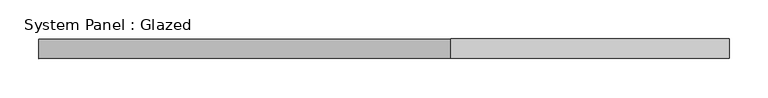
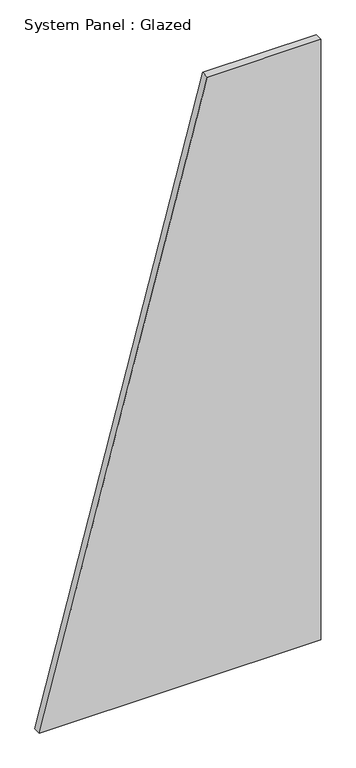
"""IFC4 building model written with IfcOpenShell, lengths in millimetres: plate geometry, System Panel : Glazed."""

from ifc_helpers import new_model, si_unit, frame, origin, place, context, project, spatial, polyline, outline, extrude, source, transform, mapped, element, save


def system_panel_glazed_d9a740a0(model_context):
    return source(origin(), model_context, "Body", "SweptSolid", [
        extrude(outline(polyline([(0.0, -442.857143), (0.0, 442.857143), (2000.0, 442.857143), (2000.0, 85.7142856), (0.0, -442.857143)])), frame((0.0, 24.5, 0.0), z_axis=(0.0, 1.0, 0.0), x_axis=(0.0, 0.0, 1.0)), (0.0, 0.0, 1.0), 25.0),
    ])


if __name__ == "__main__":
    model = new_model("IFC4")
    model_context = context("Model", 3, world=origin())
    ifc_project = project(units=[si_unit("LENGTHUNIT", "METRE", prefix="MILLI")], contexts=[model_context])
    site = spatial("IfcSite", under=ifc_project)
    building = spatial("IfcBuilding", under=site)
    placement = place(None, origin())
    system_panel_glazed_shape = system_panel_glazed_d9a740a0(model_context)
    element("IfcPlate", 1, ObjectType="System Panel : Glazed", at=placement, inside=building, context=model_context, shape_type="MappedRepresentation", body=[
        mapped(system_panel_glazed_shape, transform((0.0, 0.0, 0.0), x_axis=(1.0, 0.0, 0.0), y_axis=(0.0, 1.0, 0.0), z_axis=(0.0, 0.0, 1.0))),
    ])
    save(model, "model.ifc")
